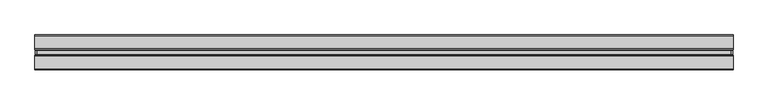
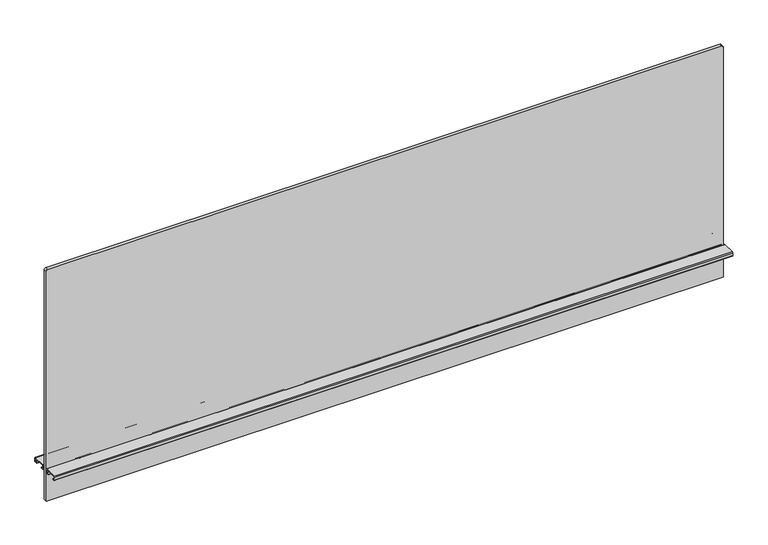
"""IFC4 building model written with IfcOpenShell, lengths in millimetres: furniture geometry."""

from ifc_helpers import new_model, si_unit, point, frame, frame_2d, origin, place, context, project, spatial, polyline, circle_curve, trimmed, segment, composite_curve, outline, extrude, source, transform, mapped, element, save


def furniture_446d77ce(model_context):
    return source(origin(), model_context, "Body", "SweptSolid", [
        extrude(outline(composite_curve([segment(polyline([(1239.367613, 756.92), (1239.367613, -756.92)]), True, "CONTINUOUS"), segment(trimmed(circle_curve(frame_2d((1235.557613, -756.92)), 3.81), [point((1239.367613, -756.92))], [point((1235.557613, -760.73))], False, "CARTESIAN"), True, "CONTINUOUS"), segment(polyline([(1235.557613, -760.73), (689.965613, -760.73), (689.965613, 760.73), (1235.557613, 760.73)]), True, "CONTINUOUS"), segment(trimmed(circle_curve(frame_2d((1235.557613, 756.92)), 3.81), [point((1235.557613, 760.73))], [point((1239.367613, 756.92))], False, "CARTESIAN"), True, "CONTINUOUS")], self_intersect=False)), frame((0.0, -3.683001, 0.0), z_axis=(0.0, 1.0, 0.0), x_axis=(0.0, 0.0, 1.0)), (0.0, 0.0, 1.0), 7.3660021),
        extrude(outline(composite_curve([segment(trimmed(circle_curve(frame_2d((-8.1724496, 767.2324064)), 2.032), [point((-8.1724496, 769.2644064))], [point((-6.1404496, 767.2324064))], False, "CARTESIAN"), True, "CONTINUOUS"), segment(polyline([(-6.1404496, 767.2324064), (-6.1404496, 761.1364161)]), True, "CONTINUOUS"), segment(trimmed(circle_curve(frame_2d((-8.1724496, 761.1364161)), 2.032), [point((-6.1404496, 761.1364161))], [point((-8.1724496, 759.1044161))], False, "CARTESIAN"), True, "CONTINUOUS"), segment(polyline([(-8.1724496, 759.1044161), (-13.4619988, 759.1044161), (-13.4619988, 760.0187498), (-8.0708496, 760.0187498)]), True, "CONTINUOUS"), segment(trimmed(circle_curve(frame_2d((-8.0708496, 761.0347498)), 1.016), [point((-8.0708496, 760.0187498))], [point((-7.0548496, 761.0347498))], True, "CARTESIAN"), True, "CONTINUOUS"), segment(polyline([(-7.0548496, 761.0347498), (-7.0548496, 767.334)]), True, "CONTINUOUS"), segment(trimmed(circle_curve(frame_2d((-8.0708496, 767.334)), 1.016), [point((-7.0548496, 767.334))], [point((-8.0708496, 768.35))], True, "CARTESIAN"), True, "CONTINUOUS"), segment(polyline([(-8.0708496, 768.35), (-36.1695996, 768.35)]), True, "CONTINUOUS"), segment(trimmed(circle_curve(frame_2d((-36.1695996, 767.334)), 1.016), [point((-36.1695996, 768.35))], [point((-37.1855996, 767.334))], True, "CARTESIAN"), True, "CONTINUOUS"), segment(polyline([(-37.1855996, 767.334), (-37.1855996, 761.0347498)]), True, "CONTINUOUS"), segment(trimmed(circle_curve(frame_2d((-36.1695996, 761.0347498)), 1.016), [point((-37.1855996, 761.0347498))], [point((-36.1695996, 760.0187498))], True, "CARTESIAN"), True, "CONTINUOUS"), segment(polyline([(-36.1695996, 760.0187498), (-30.7784504, 760.0187498), (-30.7784504, 759.1044161), (-36.0679996, 759.1044161)]), True, "CONTINUOUS"), segment(trimmed(circle_curve(frame_2d((-36.0679996, 761.1364161)), 2.032), [point((-36.0679996, 759.1044161))], [point((-38.0999996, 761.1364161))], False, "CARTESIAN"), True, "CONTINUOUS"), segment(polyline([(-38.0999996, 761.1364161), (-38.0999996, 767.2324064)]), True, "CONTINUOUS"), segment(trimmed(circle_curve(frame_2d((-36.0679996, 767.2324064)), 2.032), [point((-38.0999996, 767.2324064))], [point((-36.0679996, 769.2644064))], False, "CARTESIAN"), True, "CONTINUOUS"), segment(polyline([(-36.0679996, 769.2644064), (-8.1724496, 769.2644064)]), True, "CONTINUOUS")], self_intersect=False)), frame((-762.0, 0.0, 0.0), z_axis=(1.0, 0.0, 0.0), x_axis=(0.0, 1.0, 0.0)), (0.0, 0.0, 1.0), 1524.0),
        extrude(outline(composite_curve([segment(polyline([(8.1724496, 769.2644064), (36.0679996, 769.2644064)]), True, "CONTINUOUS"), segment(trimmed(circle_curve(frame_2d((36.0679996, 767.2324064)), 2.032), [point((36.0679996, 769.2644064))], [point((38.0999996, 767.2324064))], False, "CARTESIAN"), True, "CONTINUOUS"), segment(polyline([(38.0999996, 767.2324064), (38.0999996, 761.1364161)]), True, "CONTINUOUS"), segment(trimmed(circle_curve(frame_2d((36.0679996, 761.1364161)), 2.032), [point((38.0999996, 761.1364161))], [point((36.0679996, 759.1044161))], False, "CARTESIAN"), True, "CONTINUOUS"), segment(polyline([(36.0679996, 759.1044161), (30.7784504, 759.1044161), (30.7784504, 760.0187498), (36.1695996, 760.0187498)]), True, "CONTINUOUS"), segment(trimmed(circle_curve(frame_2d((36.1695996, 761.0347498)), 1.016), [point((36.1695996, 760.0187498))], [point((37.1855996, 761.0347498))], True, "CARTESIAN"), True, "CONTINUOUS"), segment(polyline([(37.1855996, 761.0347498), (37.1855996, 767.334)]), True, "CONTINUOUS"), segment(trimmed(circle_curve(frame_2d((36.1695996, 767.334)), 1.016), [point((37.1855996, 767.334))], [point((36.1695996, 768.35))], True, "CARTESIAN"), True, "CONTINUOUS"), segment(polyline([(36.1695996, 768.35), (8.0708496, 768.35)]), True, "CONTINUOUS"), segment(trimmed(circle_curve(frame_2d((8.0708496, 767.334)), 1.016), [point((8.0708496, 768.35))], [point((7.0548496, 767.334))], True, "CARTESIAN"), True, "CONTINUOUS"), segment(polyline([(7.0548496, 767.334), (7.0548496, 761.0347498)]), True, "CONTINUOUS"), segment(trimmed(circle_curve(frame_2d((8.0708496, 761.0347498)), 1.016), [point((7.0548496, 761.0347498))], [point((8.0708496, 760.0187498))], True, "CARTESIAN"), True, "CONTINUOUS"), segment(polyline([(8.0708496, 760.0187498), (13.4619988, 760.0187498), (13.4619988, 759.1044161), (8.1724496, 759.1044161)]), True, "CONTINUOUS"), segment(trimmed(circle_curve(frame_2d((8.1724496, 761.1364161)), 2.032), [point((8.1724496, 759.1044161))], [point((6.1404496, 761.1364161))], False, "CARTESIAN"), True, "CONTINUOUS"), segment(polyline([(6.1404496, 761.1364161), (6.1404496, 767.2324064)]), True, "CONTINUOUS"), segment(trimmed(circle_curve(frame_2d((8.1724496, 767.2324064)), 2.032), [point((6.1404496, 767.2324064))], [point((8.1724496, 769.2644064))], False, "CARTESIAN"), True, "CONTINUOUS")], self_intersect=False)), frame((-762.0, 0.0, 0.0), z_axis=(1.0, 0.0, 0.0), x_axis=(0.0, 1.0, 0.0)), (0.0, 0.0, 1.0), 1524.0),
    ])


if __name__ == "__main__":
    model = new_model("IFC4")
    model_context = context("Model", 3, world=origin())
    ifc_project = project(units=[si_unit("LENGTHUNIT", "METRE", prefix="MILLI")], contexts=[model_context])
    site = spatial("IfcSite", under=ifc_project)
    building = spatial("IfcBuilding", under=site)
    placement = place(None, origin())
    furniture_shape = furniture_446d77ce(model_context)
    element("IfcFurniture", 1, at=placement, inside=building, context=model_context, shape_type="MappedRepresentation", body=[
        mapped(furniture_shape, transform((0.0, 0.0, 0.0), x_axis=(1.0, 0.0, 0.0), y_axis=(0.0, 1.0, 0.0), z_axis=(0.0, 0.0, 1.0))),
    ])
    save(model, "model.ifc")
